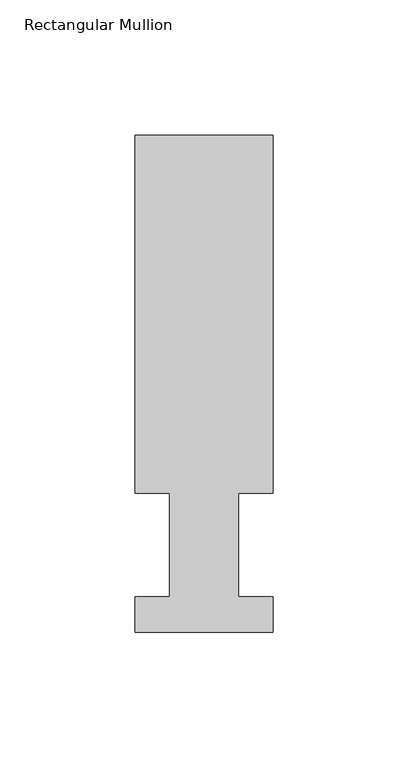
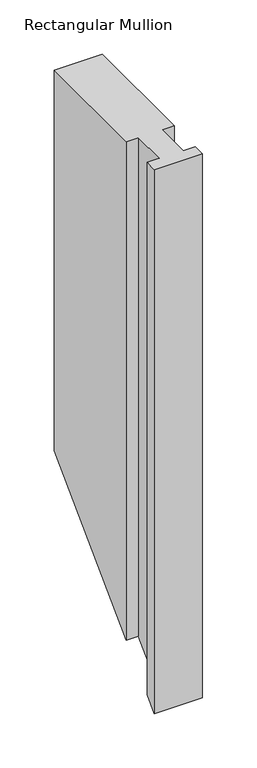
"""IFC4 building model written with IfcOpenShell, lengths in millimetres: member geometry, Rectangular Mullion."""

from ifc_helpers import new_model, si_unit, origin, place, context, project, spatial, faceted_brep, source, transform, mapped, element, save


def rectangular_mullion_aaccf379(model_context):
    return source(origin(), model_context, "Body", "Brep", [
        faceted_brep([(-50.8, 13.1960937, 0.0), (-50.8, 0.0134937, 0.0), (0.0, 0.0134937, 0.0), (0.0, 13.1960938, 0.0), (-12.7, 13.1960938, 0.0), (-12.7, 51.2960937, 0.0), (0.0, 51.2960938, 0.0), (0.0, 183.4446737, 0.0), (-50.8, 183.4446737, 0.0), (-50.8, 51.2960937, 0.0), (-38.1, 51.2960938, 0.0), (-38.1, 13.1960938, 0.0), (-50.8, 13.1960937, -596.4039063), (-50.8, 0.0134937, -609.5865063), (0.0, 0.0134937, -609.5865063), (0.0, 13.1960938, -596.4039062), (-12.7, 13.1960938, -596.4039062), (-12.7, 51.2960937, -558.3039063), (0.0, 51.2960937, -558.3039063), (0.0, 183.4446737, -426.1553263), (-50.8, 183.4446737, -426.1553263), (-50.8, 51.2960937, -558.3039063), (-38.1, 51.2960937, -558.3039063), (-38.1, 13.1960938, -596.4039062)], [[[0, 1, 2, 3, 4, 5, 6, 7, 8, 9, 10, 11]], [[1, 0, 12, 13]], [[2, 1, 13, 14]], [[3, 2, 14, 15]], [[4, 3, 15, 16]], [[5, 4, 16, 17]], [[6, 5, 17, 18]], [[7, 6, 18, 19]], [[8, 7, 19, 20]], [[9, 8, 20, 21]], [[10, 9, 21, 22]], [[11, 10, 22, 23]], [[0, 11, 23, 12]], [[12, 23, 22, 21, 20, 19, 18, 17, 16, 15, 14, 13]]]),
    ])


if __name__ == "__main__":
    model = new_model("IFC4")
    model_context = context("Model", 3, world=origin())
    ifc_project = project(units=[si_unit("LENGTHUNIT", "METRE", prefix="MILLI")], contexts=[model_context])
    site = spatial("IfcSite", under=ifc_project)
    building = spatial("IfcBuilding", under=site)
    placement = place(None, origin())
    rectangular_mullion_shape = rectangular_mullion_aaccf379(model_context)
    element("IfcMember", 1, ObjectType="Rectangular Mullion", at=placement, inside=building, context=model_context, shape_type="MappedRepresentation", body=[
        mapped(rectangular_mullion_shape, transform((0.0, 0.0, 0.0), x_axis=(1.0, 0.0, 0.0), y_axis=(0.0, 1.0, 0.0), z_axis=(0.0, 0.0, 1.0))),
    ])
    save(model, "model.ifc")
